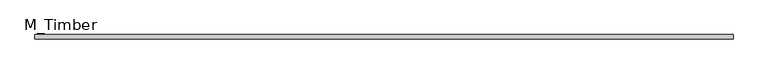
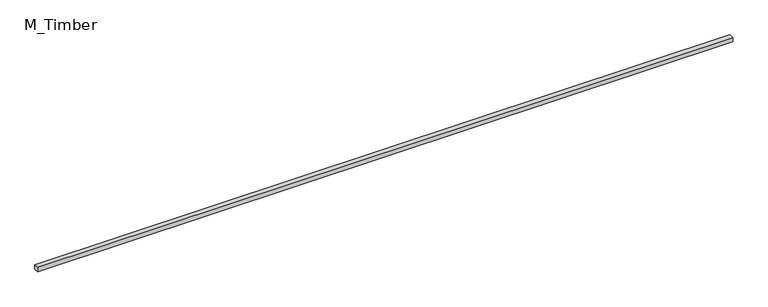
"""IFC4 building model written with IfcOpenShell, lengths in millimetres: beam geometry, M_Timber."""

from ifc_helpers import new_model, si_unit, frame, origin, place, context, project, spatial, polyline, outline, extrude, source, transform, mapped, element, save


def m_timber_ec2aed90(model_context):
    return source(origin(), model_context, "Body", "SweptSolid", [
        extrude(outline(polyline([(3052.4120311, 20.0), (3052.4120311, -20.0), (-3052.4120311, -20.0), (-3052.4120311, 20.0), (3052.4120311, 20.0)])), frame((0.0, 0.0, -20.0), z_axis=(0.0, 0.0, 1.0), x_axis=(1.0, 0.0, 0.0)), (0.0, 0.0, 1.0), 40.0),
    ])


if __name__ == "__main__":
    model = new_model("IFC4")
    model_context = context("Model", 3, world=origin())
    ifc_project = project(units=[si_unit("LENGTHUNIT", "METRE", prefix="MILLI")], contexts=[model_context])
    site = spatial("IfcSite", under=ifc_project)
    building = spatial("IfcBuilding", under=site)
    placement = place(None, origin())
    m_timber_shape = m_timber_ec2aed90(model_context)
    element("IfcBeam", 1, ObjectType="M_Timber", at=placement, inside=building, context=model_context, shape_type="MappedRepresentation", body=[
        mapped(m_timber_shape, transform((0.0, 0.0, 0.0), x_axis=(1.0, 0.0, 0.0), y_axis=(0.0, 1.0, 0.0), z_axis=(0.0, 0.0, 1.0))),
    ])
    save(model, "model.ifc")
